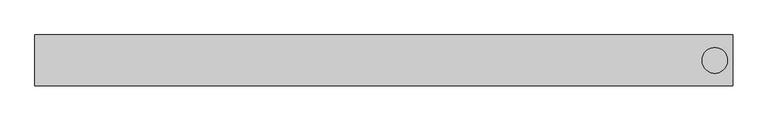
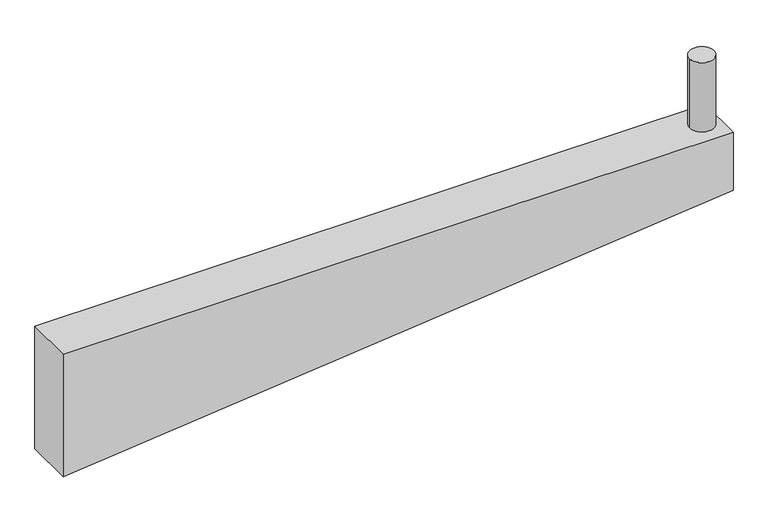
"""IFC4 building model written with IfcOpenShell, lengths in millimetres: beam geometry."""

from ifc_helpers import new_model, si_unit, point, frame, frame_2d, origin, origin_with_axes, place, context, project, spatial, polyline, circle_curve, trimmed, segment, composite_curve, outline, extrude, source, transform, mapped, element, save


def beam_52eb3400(model_context):
    return source(origin(), model_context, "Body", "SweptSolid", [
        extrude(outline(composite_curve([segment(trimmed(circle_curve(frame_2d((1300.0, 0.0)), 50.0), [point((1250.0, 0.0))], [point((1350.0, 0.0))], False, "CARTESIAN"), True, "CONTINUOUS"), segment(trimmed(circle_curve(frame_2d((1300.0, 0.0)), 50.0), [point((1350.0, 0.0))], [point((1250.0, 0.0))], False, "CARTESIAN"), True, "CONTINUOUS")], self_intersect=False)), origin_with_axes(), (0.0, 0.0, 1.0), 300.0),
        extrude(outline(polyline([(-250.0, 1370.0), (0.0, 1370.0), (0.0, -1370.0), (-530.0, -1370.0), (-250.0, 1370.0)])), frame((0.0, -100.0, 0.0), z_axis=(0.0, 1.0, 0.0), x_axis=(0.0, 0.0, 1.0)), (0.0, 0.0, 1.0), 200.0),
    ])


if __name__ == "__main__":
    model = new_model("IFC4")
    model_context = context("Model", 3, world=origin())
    ifc_project = project(units=[si_unit("LENGTHUNIT", "METRE", prefix="MILLI")], contexts=[model_context])
    site = spatial("IfcSite", under=ifc_project)
    building = spatial("IfcBuilding", under=site)
    placement = place(None, origin())
    beam_shape = beam_52eb3400(model_context)
    element("IfcBeam", 1, at=placement, inside=building, context=model_context, shape_type="MappedRepresentation", body=[
        mapped(beam_shape, transform((0.0, 0.0, 0.0), x_axis=(1.0, 0.0, 0.0), y_axis=(0.0, 1.0, 0.0), z_axis=(0.0, 0.0, 1.0))),
    ])
    save(model, "model.ifc")
